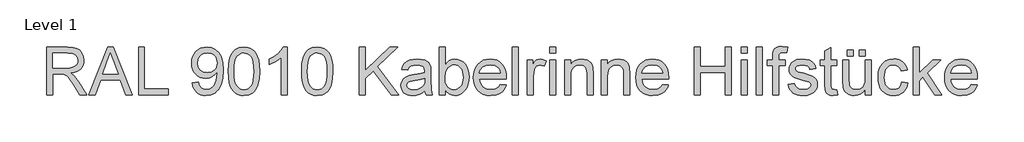
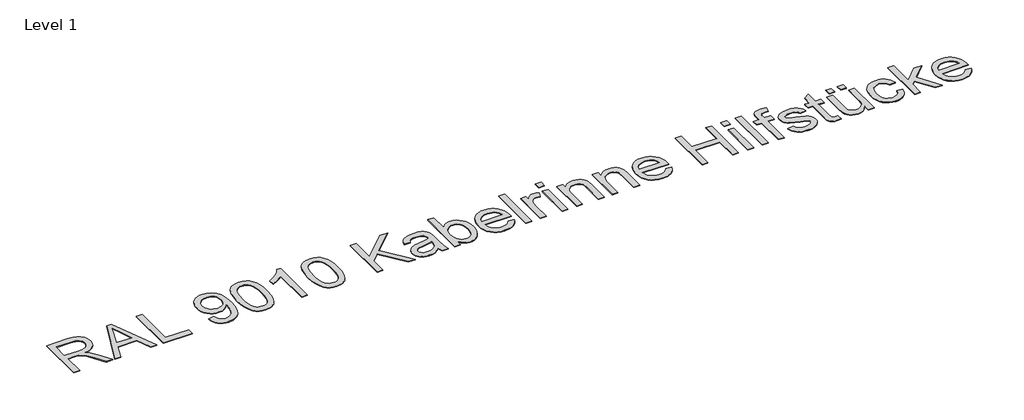
# One storey, part 9 of 15: 1 proxy.
"""IFC4 building model written with IfcOpenShell, lengths in millimetres."""

from ifc_helpers import new_model, si_unit, origin, origin_with_axes, place, context, project, spatial, polyline, outline, extrude, element, save

model = new_model("IFC4")

# Units and contexts
model_context = context("Model", 3, world=origin())
ifc_project = project(units=[si_unit("LENGTHUNIT", "METRE", prefix="MILLI")], contexts=[model_context])

# Site, building, storey
site = spatial("IfcSite", under=ifc_project)
building = spatial("IfcBuilding", under=site)
storey = spatial("IfcBuildingStorey", under=building, Name="Level 1", Elevation=0.0)

# Proxy
placement = place(None, origin())
element("IfcBuildingElementProxy", 1, Name="400mm", ObjectType="400mm", at=placement, inside=storey, context=model_context, shape_type="SweptSolid", body=[
    extrude(outline(polyline([(-10668.1630264, -25416.2853679), (-10668.1630264, -25024.5277921), (-10499.3514733, -25024.5277921), (-10453.9803796, -25027.1699559), (-10420.971265, -25035.0964474), (-10396.8450813, -25049.7299701), (-10378.1227802, -25072.4932277), (-10366.1075103, -25100.7201453), (-10362.1024203, -25131.7446482), (-10363.7612449, -25151.8657419), (-10368.7377186, -25170.3369777), (-10377.0318415, -25187.1583555), (-10388.6436135, -25202.3298754), (-10403.7224783, -25215.3673399), (-10422.4178796, -25225.7865516), (-10444.7298173, -25233.5875104), (-10470.6582915, -25238.7702163), (-10442.8259052, -25259.7162391), (-10403.1336703, -25310.1205951), (-10337.8088597, -25416.2853679), (-10394.7170037, -25416.2853679), (-10445.6952233, -25335.0836633), (-10482.51814, -25281.3317694), (-10496.2071788, -25265.6581188), (-10508.3898256, -25255.9383035), (-10531.6791249, -25246.6130194), (-10560.0853749, -25244.8914285), (-10619.1933294, -25244.8914285), (-10619.1933294, -25416.2853679), (-10668.1630264, -25416.2853679)]), holes=[polyline([(-10619.1933294, -25195.9217315), (-10509.5853749, -25195.9217315), (-10478.1065633, -25194.1881851), (-10453.6814923, -25188.9875459), (-10435.2939449, -25179.9731046), (-10421.9277044, -25166.798152), (-10413.7860141, -25150.8614805), (-10411.0721173, -25133.561883), (-10416.2488455, -25109.6748091), (-10431.7790302, -25090.4264663), (-10443.6358898, -25083.0200388), (-10458.4995557, -25077.7297334), (-10497.2473067, -25073.4974891), (-10619.1933294, -25073.4974891), (-10619.1933294, -25195.9217315)])]), origin_with_axes(), (0.0, 0.0, 1.0), 5.0),
    extrude(outline(polyline([(-10322.0276097, -25416.2853679), (-10165.6497688, -25024.5277921), (-10123.9490112, -25024.5277921), (-9967.5711703, -25416.2853679), (-10019.3145415, -25416.2853679), (-10064.1715491, -25293.8611254), (-10225.5228749, -25293.8611254), (-10270.2842385, -25416.2853679), (-10322.0276097, -25416.2853679)]), holes=[polyline([(-10207.5418143, -25244.8914285), (-10082.0569658, -25244.8914285), (-10117.3495794, -25148.5779815), (-10144.79939, -25073.4974891), (-10169.1885946, -25140.1613148), (-10207.5418143, -25244.8914285)])]), origin_with_axes(), (0.0, 0.0, 1.0), 5.0),
    extrude(outline(polyline([(-9915.2539355, -25416.2853679), (-9915.2539355, -25024.5277921), (-9866.2842385, -25024.5277921), (-9866.2842385, -25367.3156709), (-9670.4054506, -25367.3156709), (-9670.4054506, -25416.2853679), (-9915.2539355, -25416.2853679)])), origin_with_axes(), (0.0, 0.0, 1.0), 5.0),
    extrude(outline(polyline([(-9474.5266627, -25318.3459739), (-9425.5569658, -25312.2247618), (-9417.1881211, -25340.0212817), (-9403.5588597, -25358.9468262), (-9385.0039355, -25369.8143688), (-9361.8581021, -25373.436883), (-9341.0914118, -25371.105562), (-9322.2136893, -25364.1115989), (-9306.5280832, -25353.2201453), (-9295.3377423, -25339.1963527), (-9279.3173824, -25296.6347997), (-9274.0091438, -25268.9458792), (-9272.2397309, -25239.8222997), (-9272.5266627, -25230.2579057), (-9289.4915065, -25250.9648186), (-9311.6928559, -25267.3677542), (-9337.5286751, -25278.0559645), (-9365.3969279, -25281.6187012), (-9388.6593273, -25279.4428016), (-9410.0506921, -25272.9151027), (-9429.5710224, -25262.0356046), (-9447.220318, -25246.8043073), (-9461.8448742, -25228.0162509), (-9472.2909857, -25206.4664758), (-9478.5586526, -25182.154982), (-9480.6478749, -25155.0817694), (-9478.4570309, -25127.1059171), (-9471.8844989, -25101.999383), (-9460.930279, -25079.7621671), (-9445.5943711, -25060.3942694), (-9426.9587473, -25044.7026856), (-9406.1053796, -25033.4944114), (-9383.0342681, -25026.7694469), (-9357.7454127, -25024.5277921), (-9321.2213834, -25029.6447429), (-9287.973159, -25044.9955951), (-9260.1646836, -25069.8151974), (-9239.9599014, -25103.3383982), (-9227.6576997, -25149.6778868), (-9223.5569658, -25212.9463527), (-9227.6457442, -25280.0286207), (-9239.9120794, -25331.8795913), (-9260.248372, -25370.8425412), (-9273.4024026, -25386.3697369), (-9288.5470226, -25399.2607466), (-9305.3773671, -25409.3870487), (-9323.5885709, -25416.6201216), (-9364.1535567, -25422.40658), (-9386.145685, -25420.6999334), (-9406.0216912, -25415.5799938), (-9423.7815751, -25407.0467611), (-9439.425337, -25395.1002353), (-9452.5584454, -25380.0632147), (-9462.7863692, -25362.2584976), (-9470.1091083, -25341.686084), (-9474.5266627, -25318.3459739)]), holes=[polyline([(-9272.5266627, -25153.9340421), (-9277.8109904, -25120.7455951), (-9284.4164, -25107.0206898), (-9293.6639733, -25095.2086633), (-9305.0994019, -25085.7100246), (-9318.2683768, -25078.9252826), (-9349.8069658, -25073.4974891), (-9382.517193, -25079.3437249), (-9396.4333862, -25086.6515196), (-9408.7236324, -25096.8824323), (-9418.7662461, -25109.4386882), (-9425.9395415, -25123.7225127), (-9431.6781779, -25157.4728679), (-9426.2503843, -25187.7322192), (-9409.9670037, -25211.7508035), (-9398.1489994, -25220.8937663), (-9384.4061608, -25227.424454), (-9351.1459809, -25232.6490042), (-9319.8584572, -25227.424454), (-9294.6682347, -25211.7508035), (-9284.981297, -25200.3004306), (-9278.0620557, -25186.8475127), (-9272.5266627, -25153.9340421)])]), origin_with_axes(), (0.0, 0.0, 1.0), 5.0),
    extrude(outline(polyline([(-9180.7084809, -25223.56283), (-9177.1098777, -25160.8562722), (-9166.314068, -25110.8464474), (-9148.4286514, -25072.768204), (-9136.8676902, -25057.9164936), (-9123.5612271, -25045.8563906), (-9108.4644291, -25036.5251288), (-9091.5324629, -25029.8599417), (-9052.1630264, -25024.5277921), (-9021.9873635, -25027.6840421), (-8994.9679506, -25037.1527921), (-8972.3720699, -25052.5634218), (-8955.4670037, -25073.545311), (-8942.6985377, -25099.9191273), (-8932.5124582, -25131.5055383), (-8925.8412934, -25171.6162154), (-8923.6175718, -25223.56283), (-8927.1803086, -25285.910723), (-8937.8685188, -25335.8009929), (-8955.646336, -25373.9151027), (-8967.1803974, -25388.8116463), (-8980.4778938, -25400.9345156), (-8995.5926251, -25410.3285438), (-9012.578391, -25417.0385639), (-9052.1630264, -25422.40658), (-9079.1346173, -25420.075259), (-9103.0456021, -25413.0812959), (-9123.8959809, -25401.4246908), (-9141.6857537, -25385.1054436), (-9158.7581968, -25355.6052661), (-9170.9527991, -25318.8481046), (-9178.2695605, -25274.8339592), (-9180.7084809, -25223.56283)]), holes=[polyline([(-9131.738784, -25223.467186), (-9130.3041249, -25266.0377057), (-9126.0001476, -25300.4964237), (-9118.8268521, -25326.8433402), (-9108.7842385, -25345.078455), (-9096.6374582, -25357.4852672), (-9083.1516627, -25366.347276), (-9068.3268521, -25371.6644813), (-9052.1630264, -25373.436883), (-9035.9992006, -25371.6585035), (-9021.17439, -25366.323365), (-9007.6885946, -25357.4314675), (-8995.5418143, -25344.982811), (-8985.4992006, -25326.7178075), (-8978.3259052, -25300.3768688), (-8974.0219279, -25265.959995), (-8972.5872688, -25223.467186), (-8973.9741059, -25182.0234716), (-8978.1346173, -25148.1714948), (-8985.0688029, -25121.9112556), (-8994.7766627, -25103.2427542), (-9006.7201997, -25090.2292007), (-9020.3614165, -25080.9338054), (-9035.7003133, -25075.3565681), (-9052.73689, -25073.4974891), (-9068.8170273, -25075.1353915), (-9083.3907726, -25080.0490989), (-9096.4581258, -25088.2386112), (-9108.019087, -25099.7039285), (-9118.3964544, -25120.0282656), (-9125.8088597, -25147.4302542), (-9130.2563029, -25181.9098944), (-9131.738784, -25223.467186)])]), origin_with_axes(), (0.0, 0.0, 1.0), 5.0),
    extrude(outline(polyline([(-8697.1327233, -25416.2853679), (-8746.1024203, -25416.2853679), (-8746.1024203, -25110.9899133), (-8766.5463124, -25127.5243593), (-8792.4897309, -25144.0348944), (-8844.0418143, -25168.7588527), (-8844.0418143, -25122.467186), (-8805.5809951, -25101.5450743), (-8772.2610377, -25076.6537391), (-8745.9948209, -25050.1842788), (-8728.6952233, -25024.5277921), (-8697.1327233, -25024.5277921), (-8697.1327233, -25416.2853679)])), origin_with_axes(), (0.0, 0.0, 1.0), 5.0),
    extrude(outline(polyline([(-8580.829693, -25223.56283), (-8577.2310898, -25160.8562722), (-8566.4352802, -25110.8464474), (-8548.5498635, -25072.768204), (-8536.9889023, -25057.9164936), (-8523.6824393, -25045.8563906), (-8508.5856412, -25036.5251288), (-8491.6536751, -25029.8599417), (-8452.2842385, -25024.5277921), (-8422.1085756, -25027.6840421), (-8395.0891627, -25037.1527921), (-8372.4932821, -25052.5634218), (-8355.5882158, -25073.545311), (-8342.8197499, -25099.9191273), (-8332.6336703, -25131.5055383), (-8325.9625055, -25171.6162154), (-8323.738784, -25223.56283), (-8327.3015207, -25285.910723), (-8337.9897309, -25335.8009929), (-8355.7675482, -25373.9151027), (-8367.3016095, -25388.8116463), (-8380.5991059, -25400.9345156), (-8395.7138372, -25410.3285438), (-8412.6996031, -25417.0385639), (-8452.2842385, -25422.40658), (-8479.2558294, -25420.075259), (-8503.1668143, -25413.0812959), (-8524.017193, -25401.4246908), (-8541.8069658, -25385.1054436), (-8558.879409, -25355.6052661), (-8571.0740112, -25318.8481046), (-8578.3907726, -25274.8339592), (-8580.829693, -25223.56283)]), holes=[polyline([(-8531.8599961, -25223.467186), (-8530.425337, -25266.0377057), (-8526.1213597, -25300.4964237), (-8518.9480643, -25326.8433402), (-8508.9054506, -25345.078455), (-8496.7586703, -25357.4852672), (-8483.2728749, -25366.347276), (-8468.4480643, -25371.6644813), (-8452.2842385, -25373.436883), (-8436.1204127, -25371.6585035), (-8421.2956021, -25366.323365), (-8407.8098067, -25357.4314675), (-8395.6630264, -25344.982811), (-8385.6204127, -25326.7178075), (-8378.4471173, -25300.3768688), (-8374.14314, -25265.959995), (-8372.7084809, -25223.467186), (-8374.095318, -25182.0234716), (-8378.2558294, -25148.1714948), (-8385.190015, -25121.9112556), (-8394.8978749, -25103.2427542), (-8406.8414118, -25090.2292007), (-8420.4826287, -25080.9338054), (-8435.8215254, -25075.3565681), (-8452.8581021, -25073.4974891), (-8468.9382394, -25075.1353915), (-8483.5119847, -25080.0490989), (-8496.5793379, -25088.2386112), (-8508.1402991, -25099.7039285), (-8518.5176665, -25120.0282656), (-8525.9300718, -25147.4302542), (-8530.377515, -25181.9098944), (-8531.8599961, -25223.467186)])]), origin_with_axes(), (0.0, 0.0, 1.0), 5.0),
    extrude(outline(polyline([(-8109.4963597, -25416.2853679), (-8109.4963597, -25024.5277921), (-8060.5266627, -25024.5277921), (-8060.5266627, -25216.2938906), (-7859.67439, -25024.5277921), (-7791.1933294, -25024.5277921), (-7959.8135946, -25185.592186), (-7785.0721173, -25416.2853679), (-7844.9452233, -25416.2853679), (-7994.5323446, -25218.6849891), (-8060.5266627, -25281.6187012), (-8060.5266627, -25416.2853679), (-8109.4963597, -25416.2853679)])), origin_with_axes(), (0.0, 0.0, 1.0), 5.0),
    extrude(outline(polyline([(-7570.829693, -25379.5580951), (-7594.2265917, -25399.6194114), (-7618.316909, -25412.7465421), (-7643.6505974, -25419.9915705), (-7670.7776097, -25422.40658), (-7692.581439, -25420.9539877), (-7711.7012603, -25416.5962107), (-7728.1370735, -25409.333249), (-7741.8888787, -25399.1651027), (-7752.7474546, -25386.7373683), (-7760.5035804, -25372.6956425), (-7765.1572558, -25357.0399252), (-7766.7084809, -25339.7702163), (-7764.3652044, -25319.4697902), (-7757.3353749, -25301.0344209), (-7746.4917432, -25285.2531709), (-7732.7070605, -25272.9151027), (-7698.4187082, -25256.8469209), (-7656.048443, -25249.4823376), (-7605.9788408, -25241.7351785), (-7571.1166249, -25232.6490042), (-7570.829693, -25221.7455951), (-7574.2011419, -25199.890955), (-7584.3154885, -25185.592186), (-7606.9352802, -25174.9757088), (-7638.4499582, -25171.436883), (-7667.6213597, -25173.792115), (-7687.9935188, -25180.857811), (-7701.885801, -25193.9251643), (-7711.6175718, -25214.2853679), (-7760.5872688, -25208.1641557), (-7752.0869137, -25181.3838527), (-7739.4021362, -25160.342186), (-7721.3493427, -25144.2500932), (-7696.7449393, -25132.3185118), (-7666.6529648, -25124.9300175), (-7632.1374582, -25122.467186), (-7599.0326997, -25124.6430857), (-7572.7903938, -25131.1707845), (-7553.0040538, -25140.9862438), (-7539.267193, -25153.0254247), (-7530.1571078, -25167.9100127), (-7524.2510946, -25186.2616936), (-7521.8599961, -25229.1101785), (-7521.8599961, -25290.0353679), (-7519.3732537, -25375.110652), (-7509.6175718, -25416.2853679), (-7558.5872688, -25416.2853679), (-7566.4300718, -25399.2607466), (-7570.829693, -25379.5580951)]), holes=[polyline([(-7570.829693, -25281.6187012), (-7603.7312082, -25289.772347), (-7649.831587, -25296.6347997), (-7691.9627423, -25304.5732466), (-7702.9259288, -25310.0010402), (-7711.0437082, -25317.4851785), (-7716.065015, -25326.4517978), (-7717.738784, -25336.3270345), (-7714.0923588, -25350.8888243), (-7703.1530832, -25362.8204057), (-7685.1600671, -25370.7827637), (-7660.3524203, -25373.436883), (-7634.050337, -25370.5077874), (-7610.8088597, -25361.7205004), (-7591.9670037, -25348.7727021), (-7578.863784, -25333.3620724), (-7573.0534146, -25317.4851785), (-7571.1166249, -25295.4870724), (-7570.829693, -25281.6187012)])]), origin_with_axes(), (0.0, 0.0, 1.0), 5.0),
    extrude(outline(polyline([(-7405.5569658, -25416.2853679), (-7454.5266627, -25416.2853679), (-7454.5266627, -25024.5277921), (-7405.5569658, -25024.5277921), (-7405.5569658, -25169.810936), (-7389.4529175, -25149.0980454), (-7371.2686135, -25134.3031235), (-7351.0040538, -25125.4261704), (-7328.6592385, -25122.467186), (-7303.4331495, -25125.1332609), (-7279.5938976, -25133.1314853), (-7258.504409, -25145.9597287), (-7241.5276097, -25163.1158603), (-7228.2211466, -25184.4325033), (-7218.1426665, -25209.7422807), (-7211.7943001, -25237.9931093), (-7209.6781779, -25268.1329057), (-7211.8690219, -25302.9114332), (-7218.4415538, -25333.5055383), (-7229.3957738, -25359.9152211), (-7244.7316817, -25382.1404815), (-7263.1401511, -25399.7568996), (-7283.3120557, -25412.3400554), (-7305.2473955, -25419.8899488), (-7328.9461703, -25422.40658), (-7352.0262484, -25419.1606638), (-7372.4880737, -25409.4229152), (-7390.3316462, -25393.1933342), (-7405.5569658, -25370.4719209), (-7405.5569658, -25416.2853679)]), holes=[polyline([(-7405.5569658, -25270.4283603), (-7402.2094279, -25311.2683224), (-7392.1668143, -25338.9094209), (-7380.300988, -25354.0151856), (-7366.5103275, -25364.8050175), (-7350.7948327, -25371.2789166), (-7333.1545037, -25373.436883), (-7318.5090254, -25371.8468025), (-7304.8917196, -25367.076561), (-7280.7416249, -25347.9955951), (-7271.0756092, -25333.7147594), (-7264.1713124, -25316.3135402), (-7258.6478749, -25272.1499512), (-7263.944158, -25227.3407656), (-7270.5645119, -25209.9933461), (-7279.8330074, -25196.0173754), (-7303.2299061, -25177.5820061), (-7316.58718, -25172.9731638), (-7331.050337, -25171.436883), (-7345.6958152, -25173.0269635), (-7359.3131211, -25177.797205), (-7383.4632158, -25196.8781709), (-7393.1292314, -25211.0155407), (-7400.0335283, -25227.9863622), (-7405.5569658, -25270.4283603)])]), origin_with_axes(), (0.0, 0.0, 1.0), 5.0),
    extrude(outline(polyline([(-6953.1611324, -25330.5883982), (-6905.1478749, -25336.7096103), (-6912.5094693, -25355.9400198), (-6922.4474724, -25372.8869304), (-6934.9618841, -25387.5503418), (-6950.0527044, -25399.9302542), (-6967.5645119, -25409.7636467), (-6987.3418853, -25416.7874985), (-7033.6933294, -25422.40658), (-7064.0782134, -25419.9826039), (-7091.151426, -25412.7106756), (-7114.9129672, -25400.5907952), (-7135.362837, -25383.6229626), (-7151.8076168, -25362.2794197), (-7163.5538881, -25337.0324086), (-7170.6016509, -25307.8819292), (-7172.9509052, -25274.8279815), (-7170.5777399, -25240.6532064), (-7163.4582442, -25210.5313432), (-7151.592418, -25184.462392), (-7134.9802612, -25162.4463527), (-7114.5841912, -25144.9554673), (-7091.3666249, -25132.4619777), (-7065.3275624, -25124.965884), (-7036.4670037, -25122.467186), (-7008.5359845, -25124.9599062), (-6983.2770179, -25132.4380667), (-6960.6901038, -25144.9016676), (-6940.7752423, -25162.3507088), (-6924.5187615, -25184.3189261), (-6912.9069894, -25210.3400554), (-6905.9399262, -25240.4140966), (-6903.6175718, -25274.5410497), (-6903.9045037, -25287.7399133), (-7123.9812082, -25287.7399133), (-7121.1447676, -25307.2811657), (-7115.5047641, -25324.3954531), (-7107.0611975, -25339.0827755), (-7095.814068, -25351.343133), (-7067.3958626, -25367.9134455), (-7032.73689, -25373.436883), (-7006.6739165, -25370.8784076), (-6984.7236324, -25363.2029815), (-6966.8860377, -25349.9323849), (-6953.1611324, -25330.5883982)]), holes=[polyline([(-7123.9812082, -25238.7702163), (-6952.5872688, -25238.7702163), (-6959.2106116, -25212.8985307), (-6972.1942764, -25194.3914285), (-6985.5485614, -25184.3488148), (-7000.7439923, -25177.1755194), (-7036.6582915, -25171.436883), (-7069.6674061, -25176.0158366), (-7096.9617953, -25189.7526974), (-7115.9351618, -25211.1649843), (-7123.9812082, -25238.7702163)])]), origin_with_axes(), (0.0, 0.0, 1.0), 5.0),
    extrude(outline(polyline([(-6854.6478749, -25416.2853679), (-6854.6478749, -25024.5277921), (-6805.6781779, -25024.5277921), (-6805.6781779, -25416.2853679), (-6854.6478749, -25416.2853679)])), origin_with_axes(), (0.0, 0.0, 1.0), 5.0),
    extrude(outline(polyline([(-6732.2236324, -25416.2853679), (-6732.2236324, -25128.5883982), (-6689.3751476, -25128.5883982), (-6689.3751476, -25171.1499512), (-6673.5460756, -25146.4738148), (-6658.9603749, -25131.935936), (-6644.3268521, -25124.8343735), (-6628.3543143, -25122.467186), (-6603.9651097, -25126.2451216), (-6579.1933294, -25137.5789285), (-6595.548443, -25181.4794966), (-6612.7643521, -25173.9475364), (-6629.9802612, -25171.436883), (-6644.6018285, -25173.8518925), (-6657.6691817, -25181.0969209), (-6668.2258815, -25192.6220156), (-6675.3154885, -25207.8772239), (-6681.2693237, -25235.2313906), (-6683.2539355, -25265.0722997), (-6683.2539355, -25416.2853679), (-6732.2236324, -25416.2853679)])), origin_with_axes(), (0.0, 0.0, 1.0), 5.0),
    extrude(outline(polyline([(-6548.5872688, -25416.2853679), (-6548.5872688, -25128.5883982), (-6499.6175718, -25128.5883982), (-6499.6175718, -25416.2853679), (-6548.5872688, -25416.2853679)])), origin_with_axes(), (0.0, 0.0, 1.0), 5.0),
    extrude(outline(polyline([(-6548.5872688, -25073.4974891), (-6548.5872688, -25024.5277921), (-6499.6175718, -25024.5277921), (-6499.6175718, -25073.4974891), (-6548.5872688, -25073.4974891)])), origin_with_axes(), (0.0, 0.0, 1.0), 5.0),
    extrude(outline(polyline([(-6426.1630264, -25416.2853679), (-6426.1630264, -25128.5883982), (-6377.1933294, -25128.5883982), (-6377.1933294, -25168.7588527), (-6360.1806637, -25148.5062485), (-6339.7487271, -25134.0401027), (-6315.8975197, -25125.3604152), (-6288.6270415, -25122.467186), (-6264.4889023, -25124.7985071), (-6242.3831968, -25131.7924701), (-6223.9478275, -25142.5763243), (-6210.8206968, -25156.2773186), (-6201.913855, -25172.8595866), (-6196.1393521, -25192.2872618), (-6193.5569658, -25239.6310118), (-6193.5569658, -25416.2853679), (-6242.5266627, -25416.2853679), (-6242.5266627, -25246.2304436), (-6243.9374108, -25220.9087107), (-6248.1696552, -25202.9037391), (-6255.9765917, -25190.0037627), (-6268.1114165, -25179.9970156), (-6283.6655122, -25173.5769162), (-6301.7302612, -25171.436883), (-6330.4114876, -25176.242991), (-6354.8604696, -25190.6613148), (-6364.6310957, -25202.4314971), (-6371.6101144, -25218.5176122), (-6375.7975257, -25238.91966), (-6377.1933294, -25263.6376406), (-6377.1933294, -25416.2853679), (-6426.1630264, -25416.2853679)])), origin_with_axes(), (0.0, 0.0, 1.0), 5.0),
    extrude(outline(polyline([(-6126.2236324, -25416.2853679), (-6126.2236324, -25128.5883982), (-6077.2539355, -25128.5883982), (-6077.2539355, -25168.7588527), (-6060.2412697, -25148.5062485), (-6039.8093332, -25134.0401027), (-6015.9581258, -25125.3604152), (-5988.6876476, -25122.467186), (-5964.5495084, -25124.7985071), (-5942.4438029, -25131.7924701), (-5924.0084336, -25142.5763243), (-5910.8813029, -25156.2773186), (-5901.974461, -25172.8595866), (-5896.1999582, -25192.2872618), (-5893.6175718, -25239.6310118), (-5893.6175718, -25416.2853679), (-5942.5872688, -25416.2853679), (-5942.5872688, -25246.2304436), (-5943.9980169, -25220.9087107), (-5948.2302612, -25202.9037391), (-5956.0371978, -25190.0037627), (-5968.1720226, -25179.9970156), (-5983.7261182, -25173.5769162), (-6001.7908673, -25171.436883), (-6030.4720936, -25176.242991), (-6054.9210756, -25190.6613148), (-6064.6917018, -25202.4314971), (-6071.6707205, -25218.5176122), (-6075.8581317, -25238.91966), (-6077.2539355, -25263.6376406), (-6077.2539355, -25416.2853679), (-6126.2236324, -25416.2853679)])), origin_with_axes(), (0.0, 0.0, 1.0), 5.0),
    extrude(outline(polyline([(-5624.8581021, -25330.5883982), (-5576.8448446, -25336.7096103), (-5584.206439, -25355.9400198), (-5594.1444421, -25372.8869304), (-5606.6588538, -25387.5503418), (-5621.7496741, -25399.9302542), (-5639.2614816, -25409.7636467), (-5659.038855, -25416.7874985), (-5705.3902991, -25422.40658), (-5735.7751831, -25419.9826039), (-5762.8483957, -25412.7106756), (-5786.6099369, -25400.5907952), (-5807.0598067, -25383.6229626), (-5823.5045865, -25362.2794197), (-5835.2508578, -25337.0324086), (-5842.2986206, -25307.8819292), (-5844.6478749, -25274.8279815), (-5842.2747096, -25240.6532064), (-5835.1552139, -25210.5313432), (-5823.2893876, -25184.462392), (-5806.6772309, -25162.4463527), (-5786.2811608, -25144.9554673), (-5763.0635946, -25132.4619777), (-5737.0245321, -25124.965884), (-5708.1639733, -25122.467186), (-5680.2329542, -25124.9599062), (-5654.9739876, -25132.4380667), (-5632.3870735, -25144.9016676), (-5612.472212, -25162.3507088), (-5596.2157312, -25184.3189261), (-5584.6039591, -25210.3400554), (-5577.6368959, -25240.4140966), (-5575.3145415, -25274.5410497), (-5575.6014733, -25287.7399133), (-5795.6781779, -25287.7399133), (-5792.8417373, -25307.2811657), (-5787.2017338, -25324.3954531), (-5778.7581672, -25339.0827755), (-5767.5110377, -25351.343133), (-5739.0928322, -25367.9134455), (-5704.4338597, -25373.436883), (-5678.3708862, -25370.8784076), (-5656.4206021, -25363.2029815), (-5638.5830074, -25349.9323849), (-5624.8581021, -25330.5883982)]), holes=[polyline([(-5795.6781779, -25238.7702163), (-5624.2842385, -25238.7702163), (-5630.9075813, -25212.8985307), (-5643.8912461, -25194.3914285), (-5657.2455311, -25184.3488148), (-5672.440962, -25177.1755194), (-5708.3552612, -25171.436883), (-5741.3643758, -25176.0158366), (-5768.658765, -25189.7526974), (-5787.6321315, -25211.1649843), (-5795.6781779, -25238.7702163)])]), origin_with_axes(), (0.0, 0.0, 1.0), 5.0),
    extrude(outline(polyline([(-5367.1933294, -25416.2853679), (-5367.1933294, -25024.5277921), (-5318.2236324, -25024.5277921), (-5318.2236324, -25183.6793073), (-5110.1024203, -25183.6793073), (-5110.1024203, -25024.5277921), (-5061.1327233, -25024.5277921), (-5061.1327233, -25416.2853679), (-5110.1024203, -25416.2853679), (-5110.1024203, -25232.6490042), (-5318.2236324, -25232.6490042), (-5318.2236324, -25416.2853679), (-5367.1933294, -25416.2853679)])), origin_with_axes(), (0.0, 0.0, 1.0), 5.0),
    extrude(outline(polyline([(-4981.5569658, -25416.2853679), (-4981.5569658, -25128.5883982), (-4932.5872688, -25128.5883982), (-4932.5872688, -25416.2853679), (-4981.5569658, -25416.2853679)])), origin_with_axes(), (0.0, 0.0, 1.0), 5.0),
    extrude(outline(polyline([(-4981.5569658, -25073.4974891), (-4981.5569658, -25024.5277921), (-4932.5872688, -25024.5277921), (-4932.5872688, -25073.4974891), (-4981.5569658, -25073.4974891)])), origin_with_axes(), (0.0, 0.0, 1.0), 5.0),
    extrude(outline(polyline([(-4859.1327233, -25416.2853679), (-4859.1327233, -25024.5277921), (-4810.1630264, -25024.5277921), (-4810.1630264, -25416.2853679), (-4859.1327233, -25416.2853679)])), origin_with_axes(), (0.0, 0.0, 1.0), 5.0),
    extrude(outline(polyline([(-4724.4660567, -25416.2853679), (-4724.4660567, -25177.5580951), (-4767.3145415, -25177.5580951), (-4767.3145415, -25128.5883982), (-4724.4660567, -25128.5883982), (-4724.4660567, -25099.6082845), (-4723.1748635, -25075.6255667), (-4719.301284, -25058.7683224), (-4709.4499582, -25042.4849417), (-4694.2425718, -25029.5969209), (-4672.9617953, -25021.2041652), (-4644.8902991, -25018.40658), (-4600.2245794, -25023.7626406), (-4607.3978749, -25069.6717315), (-4635.612837, -25067.376277), (-4654.2275387, -25069.4087107), (-4666.4580074, -25075.5060118), (-4673.2367716, -25087.1506614), (-4675.4963597, -25105.8251406), (-4675.4963597, -25128.5883982), (-4620.4054506, -25128.5883982), (-4620.4054506, -25177.5580951), (-4675.4963597, -25177.5580951), (-4675.4963597, -25416.2853679), (-4724.4660567, -25416.2853679)])), origin_with_axes(), (0.0, 0.0, 1.0), 5.0),
    extrude(outline(polyline([(-4595.9206021, -25330.5883982), (-4546.9509052, -25324.467186), (-4539.2276571, -25345.4132088), (-4524.2832915, -25360.811883), (-4502.0221646, -25370.280633), (-4472.3486324, -25373.436883), (-4443.033765, -25370.5436538), (-4422.4224961, -25361.8639663), (-4410.2278938, -25349.2867883), (-4406.1630264, -25334.7010876), (-4410.2518048, -25322.2195535), (-4422.51814, -25312.7029815), (-4472.9224961, -25298.7389663), (-4546.6639733, -25274.7801595), (-4565.326497, -25262.7409787), (-4578.848159, -25246.8043073), (-4587.0615822, -25227.9863622), (-4589.79939, -25207.3033603), (-4587.5995794, -25188.3299938), (-4581.0001476, -25170.8151974), (-4570.5988692, -25155.4523896), (-4556.9935188, -25142.9349891), (-4525.8614165, -25128.4449323), (-4483.7302612, -25122.467186), (-4451.8569184, -25124.87024), (-4424.144087, -25132.079402), (-4401.8590491, -25143.3892978), (-4386.269087, -25158.0945535), (-4375.9395415, -25177.2831188), (-4369.4357537, -25202.0429436), (-4418.4054506, -25208.1641557), (-4424.5864402, -25192.753526), (-4436.816909, -25181.1447429), (-4455.2164118, -25173.863848), (-4479.9045037, -25171.436883), (-4508.0238218, -25173.7562485), (-4526.770034, -25180.7143451), (-4537.3147783, -25190.7569588), (-4540.829693, -25202.3298754), (-4534.9954127, -25216.5808224), (-4516.7274203, -25227.3885876), (-4474.548443, -25237.813777), (-4402.6720226, -25260.8639663), (-4383.6867006, -25271.8869304), (-4369.2922877, -25286.9747618), (-4360.218069, -25306.1752826), (-4357.1933294, -25329.5363148), (-4360.7441107, -25353.6864095), (-4371.3964544, -25376.4018451), (-4388.7438739, -25395.9012533), (-4412.3798824, -25410.4032656), (-4440.9295983, -25419.4057514), (-4473.01814, -25422.40658), (-4499.3740231, -25420.9599654), (-4522.3943237, -25416.6201216), (-4542.079042, -25409.3870487), (-4558.4281779, -25399.2607466), (-4571.7824629, -25386.2890374), (-4582.4826287, -25370.5197429), (-4590.5286751, -25351.9528631), (-4595.9206021, -25330.5883982)])), origin_with_axes(), (0.0, 0.0, 1.0), 5.0),
    extrude(outline(polyline([(-4198.0418143, -25375.4454057), (-4191.9206021, -25417.720027), (-4228.5522309, -25422.40658), (-4252.056729, -25420.3741463), (-4269.5834809, -25414.2768451), (-4281.9693711, -25404.8798281), (-4290.051284, -25392.9482466), (-4294.4987271, -25372.4565326), (-4295.9812082, -25337.3791179), (-4295.9812082, -25177.5580951), (-4332.7084809, -25177.5580951), (-4332.7084809, -25128.5883982), (-4295.9812082, -25128.5883982), (-4295.9812082, -25058.6726785), (-4247.0115112, -25029.8838527), (-4247.0115112, -25128.5883982), (-4198.0418143, -25128.5883982), (-4198.0418143, -25177.5580951), (-4247.0115112, -25177.5580951), (-4247.0115112, -25335.9444588), (-4244.4291249, -25361.1944588), (-4236.0602802, -25370.1371671), (-4219.3704127, -25373.436883), (-4198.0418143, -25375.4454057)])), origin_with_axes(), (0.0, 0.0, 1.0), 5.0),
    extrude(outline(polyline([(-4014.4054506, -25097.9823376), (-4014.4054506, -25049.0126406), (-3965.4357537, -25049.0126406), (-3965.4357537, -25097.9823376), (-4014.4054506, -25097.9823376)])), origin_with_axes(), (0.0, 0.0, 1.0), 5.0),
    extrude(outline(polyline([(-4112.3448446, -25097.9823376), (-4112.3448446, -25049.0126406), (-4063.3751476, -25049.0126406), (-4063.3751476, -25097.9823376), (-4112.3448446, -25097.9823376)])), origin_with_axes(), (0.0, 0.0, 1.0), 5.0),
    extrude(outline(polyline([(-3965.4357537, -25416.2853679), (-3965.4357537, -25366.8374512), (-3983.1537934, -25391.148945), (-4003.7889733, -25408.5142978), (-4027.3412934, -25418.9335094), (-4053.8107537, -25422.40658), (-4077.661961, -25419.9676595), (-4099.8633105, -25412.6508982), (-4118.4899677, -25401.6518451), (-4131.6170983, -25388.1660497), (-4140.4522072, -25371.7870251), (-4146.2027991, -25352.1082845), (-4149.0721173, -25306.5817694), (-4149.0721173, -25128.5883982), (-4100.1024203, -25128.5883982), (-4100.1024203, -25283.53158), (-4097.1374582, -25333.4577163), (-4090.0000292, -25350.1117173), (-4077.7695605, -25362.7725838), (-4061.2590254, -25370.7708082), (-4041.2813976, -25373.436883), (-4020.1560425, -25370.7110307), (-4000.3936135, -25362.5334739), (-3984.0982773, -25349.6574086), (-3973.3742006, -25332.8360307), (-3967.4203654, -25309.7977968), (-3965.4357537, -25278.2711633), (-3965.4357537, -25128.5883982), (-3916.4660567, -25128.5883982), (-3916.4660567, -25416.2853679), (-3965.4357537, -25416.2853679)])), origin_with_axes(), (0.0, 0.0, 1.0), 5.0),
    extrude(outline(polyline([(-3665.4963597, -25312.2247618), (-3616.5266627, -25318.3459739), (-3621.8528346, -25341.4529519), (-3630.1798351, -25361.8998328), (-3641.5076642, -25379.6866167), (-3655.8363218, -25394.8133035), (-3672.5620557, -25406.8853619), (-3691.0811135, -25415.5082609), (-3711.3934951, -25420.6820002), (-3733.4992006, -25422.40658), (-3760.9639556, -25420.0005371), (-3785.5892811, -25412.7824086), (-3807.3751772, -25400.7521943), (-3826.3216438, -25383.9098944), (-3841.6575517, -25362.5723293), (-3852.6117716, -25337.0563196), (-3859.1843036, -25307.3618653), (-3861.3751476, -25273.4889663), (-3857.6330785, -25229.9111965), (-3846.4068711, -25192.1437959), (-3827.517193, -25161.6453347), (-3800.784712, -25139.874383), (-3768.8037697, -25126.8189853), (-3734.1687082, -25122.467186), (-3712.4425896, -25123.9616226), (-3692.7907489, -25128.4449323), (-3675.2131862, -25135.917115), (-3659.7099014, -25146.3781709), (-3646.5439153, -25159.58899), (-3635.9782489, -25175.3104626), (-3628.0129021, -25193.5425885), (-3622.6478749, -25214.2853679), (-3671.6175718, -25220.40658), (-3680.5005027, -25199.042115), (-3694.3330074, -25183.7271292), (-3712.3499345, -25174.5094446), (-3733.7861324, -25171.436883), (-3750.425189, -25172.9492528), (-3765.4323209, -25177.4863622), (-3778.807528, -25185.0482111), (-3790.5508105, -25195.6347997), (-3800.1122155, -25209.4912154), (-3806.9417906, -25226.8625459), (-3812.4054506, -25272.1499512), (-3807.0613455, -25318.0470866), (-3800.3812141, -25335.5349832), (-3791.0290302, -25349.3824323), (-3779.5188798, -25359.9062545), (-3766.3648493, -25367.4232703), (-3751.5669385, -25371.9334798), (-3735.1251476, -25373.436883), (-3709.7675482, -25369.6828584), (-3688.9769468, -25358.4207845), (-3673.8532489, -25339.3637296), (-3665.4963597, -25312.2247618)])), origin_with_axes(), (0.0, 0.0, 1.0), 5.0),
    extrude(outline(polyline([(-3573.6781779, -25416.2853679), (-3573.6781779, -25024.5277921), (-3524.7084809, -25024.5277921), (-3524.7084809, -25235.0401027), (-3414.9092385, -25128.5883982), (-3347.1933294, -25128.5883982), (-3458.331587, -25236.3791179), (-3341.0721173, -25416.2853679), (-3398.267193, -25416.2853679), (-3493.4329127, -25270.4283603), (-3524.7084809, -25300.7474891), (-3524.7084809, -25416.2853679), (-3573.6781779, -25416.2853679)])), origin_with_axes(), (0.0, 0.0, 1.0), 5.0),
    extrude(outline(polyline([(-3096.7974961, -25330.5883982), (-3048.7842385, -25336.7096103), (-3056.145833, -25355.9400198), (-3066.083836, -25372.8869304), (-3078.5982477, -25387.5503418), (-3093.689068, -25399.9302542), (-3111.2008756, -25409.7636467), (-3130.9782489, -25416.7874985), (-3177.329693, -25422.40658), (-3207.714577, -25419.9826039), (-3234.7877896, -25412.7106756), (-3258.5493308, -25400.5907952), (-3278.9992006, -25383.6229626), (-3295.4439805, -25362.2794197), (-3307.1902518, -25337.0324086), (-3314.2380145, -25307.8819292), (-3316.5872688, -25274.8279815), (-3314.2141036, -25240.6532064), (-3307.0946078, -25210.5313432), (-3295.2287816, -25184.462392), (-3278.6166249, -25162.4463527), (-3258.2205548, -25144.9554673), (-3235.0029885, -25132.4619777), (-3208.963926, -25124.965884), (-3180.1033673, -25122.467186), (-3152.1723481, -25124.9599062), (-3126.9133815, -25132.4380667), (-3104.3264674, -25144.9016676), (-3084.4116059, -25162.3507088), (-3068.1551251, -25184.3189261), (-3056.5433531, -25210.3400554), (-3049.5762899, -25240.4140966), (-3047.2539355, -25274.5410497), (-3047.5408673, -25287.7399133), (-3267.6175718, -25287.7399133), (-3264.7811313, -25307.2811657), (-3259.1411277, -25324.3954531), (-3250.6975612, -25339.0827755), (-3239.4504317, -25351.343133), (-3211.0322262, -25367.9134455), (-3176.3732537, -25373.436883), (-3150.3102802, -25370.8784076), (-3128.3599961, -25363.2029815), (-3110.5224014, -25349.9323849), (-3096.7974961, -25330.5883982)]), holes=[polyline([(-3267.6175718, -25238.7702163), (-3096.2236324, -25238.7702163), (-3102.8469752, -25212.8985307), (-3115.83064, -25194.3914285), (-3129.1849251, -25184.3488148), (-3144.3803559, -25177.1755194), (-3180.2946552, -25171.436883), (-3213.3037697, -25176.0158366), (-3240.598159, -25189.7526974), (-3259.5715254, -25211.1649843), (-3267.6175718, -25238.7702163)])]), origin_with_axes(), (0.0, 0.0, 1.0), 5.0),
])

save(model, "model.ifc")
